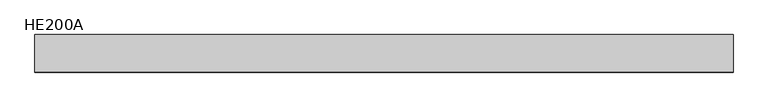
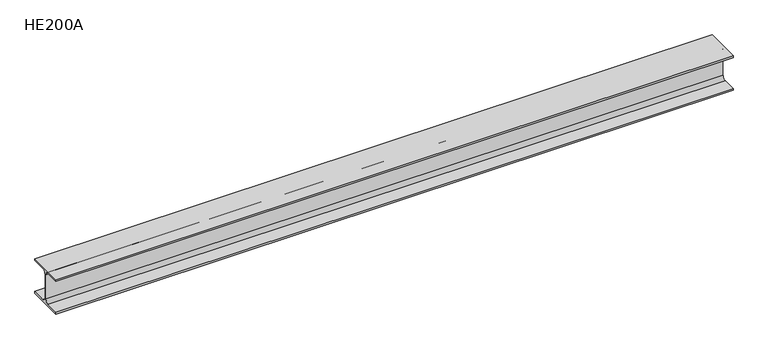
"""IFC4 building model written with IfcOpenShell, lengths in millimetres: beam geometry, HE200A."""

from ifc_helpers import new_model, si_unit, point, frame, frame_2d, origin, place, context, project, spatial, polyline, circle_curve, trimmed, segment, composite_curve, outline, extrude, source, transform, mapped, element, save


def he200a_52a0b9d6(model_context):
    return source(origin(), model_context, "Body", "SweptSolid", [
        extrude(outline(composite_curve([segment(polyline([(100.0, -90.0), (100.0, -100.0), (-100.0, -100.0), (-100.0, -90.0), (-24.0, -90.0)]), True, "CONTINUOUS"), segment(trimmed(circle_curve(frame_2d((-24.0, -70.0)), 20.0), [point((-24.0, -90.0))], [point((-4.0, -70.0))], True, "CARTESIAN"), True, "CONTINUOUS"), segment(polyline([(-4.0, -70.0), (-4.0, 70.0)]), True, "CONTINUOUS"), segment(trimmed(circle_curve(frame_2d((-24.0, 70.0)), 20.0), [point((-4.0, 70.0))], [point((-24.0, 90.0))], True, "CARTESIAN"), True, "CONTINUOUS"), segment(polyline([(-24.0, 90.0), (-100.0, 90.0), (-100.0, 100.0), (100.0, 100.0), (100.0, 90.0), (24.0, 90.0)]), True, "CONTINUOUS"), segment(trimmed(circle_curve(frame_2d((24.0, 70.0)), 20.0), [point((24.0, 90.0))], [point((4.0, 70.0))], True, "CARTESIAN"), True, "CONTINUOUS"), segment(polyline([(4.0, 70.0), (4.0, -70.0)]), True, "CONTINUOUS"), segment(trimmed(circle_curve(frame_2d((24.0, -70.0)), 20.0), [point((4.0, -70.0))], [point((24.0, -90.0))], True, "CARTESIAN"), True, "CONTINUOUS"), segment(polyline([(24.0, -90.0), (100.0, -90.0)]), True, "CONTINUOUS")], self_intersect=False)), frame((-1904.5, 0.0, 0.0), z_axis=(1.0, 0.0, 0.0), x_axis=(0.0, 1.0, 0.0)), (0.0, 0.0, 1.0), 3715.0),
    ])


if __name__ == "__main__":
    model = new_model("IFC4")
    model_context = context("Model", 3, world=origin())
    ifc_project = project(units=[si_unit("LENGTHUNIT", "METRE", prefix="MILLI")], contexts=[model_context])
    site = spatial("IfcSite", under=ifc_project)
    building = spatial("IfcBuilding", under=site)
    placement = place(None, origin())
    he200a_shape = he200a_52a0b9d6(model_context)
    element("IfcBeam", 1, ObjectType="HE200A", at=placement, inside=building, context=model_context, shape_type="MappedRepresentation", body=[
        mapped(he200a_shape, transform((0.0, 0.0, 0.0), x_axis=(1.0, 0.0, 0.0), y_axis=(0.0, 1.0, 0.0), z_axis=(0.0, 0.0, 1.0))),
    ])
    save(model, "model.ifc")
